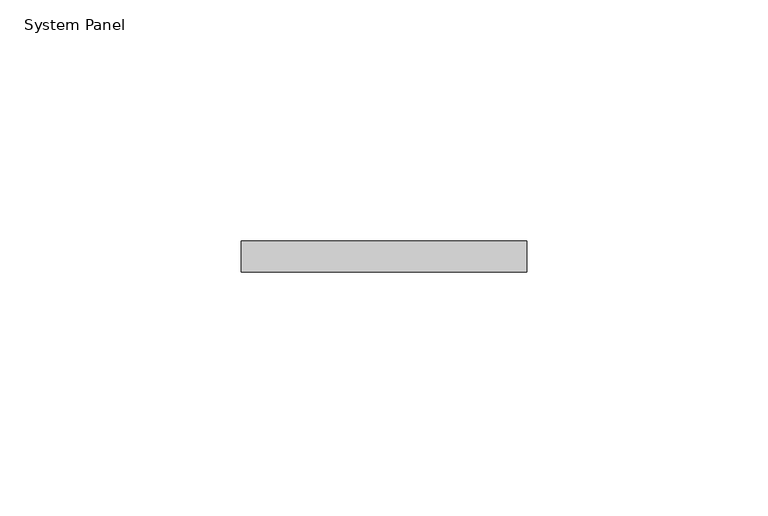
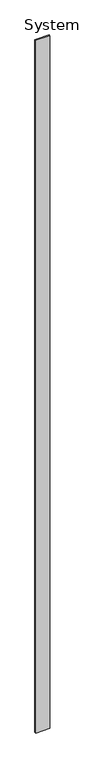
"""IFC4 building model written with IfcOpenShell, lengths in millimetres: plate geometry, System Panel."""

from ifc_helpers import new_model, si_unit, origin, origin_with_axes, place, context, project, spatial, polyline, outline, extrude, source, transform, mapped, element, save


def system_panel_061dd9f9(model_context):
    return source(origin(), model_context, "Body", "SweptSolid", [
        extrude(outline(polyline([(29.5229213, -6.35), (-29.5229213, -6.35), (-29.5229213, 0.0), (29.5229213, 0.0), (29.5229213, -6.35)])), origin_with_axes(), (0.0, 0.0, 1.0), 3048.0),
    ])


if __name__ == "__main__":
    model = new_model("IFC4")
    model_context = context("Model", 3, world=origin())
    ifc_project = project(units=[si_unit("LENGTHUNIT", "METRE", prefix="MILLI")], contexts=[model_context])
    site = spatial("IfcSite", under=ifc_project)
    building = spatial("IfcBuilding", under=site)
    placement = place(None, origin())
    system_panel_shape = system_panel_061dd9f9(model_context)
    element("IfcPlate", 1, ObjectType="System Panel", at=placement, inside=building, context=model_context, shape_type="MappedRepresentation", body=[
        mapped(system_panel_shape, transform((0.0, 0.0, 0.0), x_axis=(1.0, 0.0, 0.0), y_axis=(0.0, 1.0, 0.0), z_axis=(0.0, 0.0, 1.0))),
    ])
    save(model, "model.ifc")
